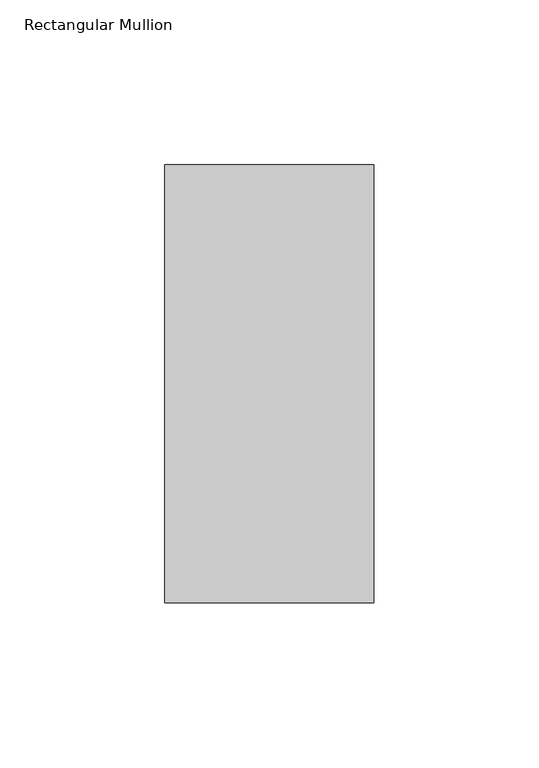
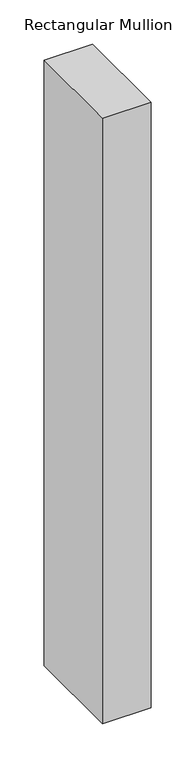
"""IFC4 building model written with IfcOpenShell, lengths in millimetres: member geometry, Rectangular Mullion."""

import ifcopenshell
import ifcopenshell.guid

model = None  # the IFC model being written
_history = None  # IfcOwnerHistory: only IFC2X3 demands one
_inside = {}  # id of a spatial element -> (the spatial element, [elements in it])
_under = {}  # id of a project, library or spatial element -> (it, [spatial elements below it])
_declared = {}  # id of a project -> (the project, [libraries it declares])
_typed = {}  # id of a type object -> (the type object, [elements of that type])
_made_of = {}  # id of a material, layer set ... -> (it, [elements and type objects made of it])


def new_model(schema):
    """Start an empty IFC model of exactly this schema.

    Asked for "IFC4X3", IfcOpenShell would pick the latest addendum, in which some entities
    have other attributes; the version numbers below select the first issue.
    IFC2X3 requires an IfcOwnerHistory on every rooted entity: one is made here for all.
    """
    global model, _history
    if schema == "IFC4X3":
        model = ifcopenshell.file(schema_version=(4, 3, 0, 0))
    else:
        model = ifcopenshell.file(schema=schema)
    _inside.clear()
    _under.clear()
    _declared.clear()
    _typed.clear()
    _made_of.clear()
    _history = None
    if model.schema == "IFC2X3":
        org = make("IfcOrganization", Name="unknown")
        user = make(
            "IfcPersonAndOrganization",
            ThePerson=make("IfcPerson", FamilyName="unknown"),
            TheOrganization=org,
        )
        app = make(
            "IfcApplication",
            ApplicationDeveloper=org,
            Version="unknown",
            ApplicationFullName="unknown",
            ApplicationIdentifier="unknown",
        )
        _history = make(
            "IfcOwnerHistory",
            OwningUser=user,
            OwningApplication=app,
            ChangeAction="ADDED",
            CreationDate=0,
        )
    return model


def make(cls, **values):
    """One entity of the class cls with the attributes given. An attribute that is None is left unset."""
    return model.create_entity(
        cls, **{name: value for name, value in values.items() if value is not None}
    )


def rooted(cls, **values):
    """An entity with a GlobalId (a new one), such as an element, a storey or a relation."""
    return make(cls, GlobalId=ifcopenshell.guid.new(), OwnerHistory=_history, **values)


def si_unit(unit_type, name, prefix=None):
    """IfcSIUnit, for example si_unit("LENGTHUNIT", "METRE", prefix="MILLI")."""
    return make("IfcSIUnit", UnitType=unit_type, Prefix=prefix, Name=name)


def assignment(units):
    """IfcUnitAssignment: the units of a project."""
    return None if units is None else make("IfcUnitAssignment", Units=units)


def point(xyz):
    """IfcCartesianPoint."""
    return None if xyz is None else make("IfcCartesianPoint", Coordinates=xyz)


def direction(xyz):
    """IfcDirection."""
    return None if xyz is None else make("IfcDirection", DirectionRatios=xyz)


def frame(location, z_axis=None, x_axis=None):
    """IfcAxis2Placement3D, a coordinate frame: its origin and axes. An axis left out is left unset."""
    return make(
        "IfcAxis2Placement3D",
        Location=point(location),
        Axis=direction(z_axis),
        RefDirection=direction(x_axis),
    )


def origin():
    """The frame at (0, 0, 0) with its axes left unset."""
    return frame((0.0, 0.0, 0.0))


def place(relative_to, where):
    """IfcLocalPlacement: puts the frame where relative to a parent placement (None: the world)."""
    return make(
        "IfcLocalPlacement", PlacementRelTo=relative_to, RelativePlacement=where
    )


def context(
    kind, dimensions, precision=None, world=None, true_north=None, identifier=None
):
    """IfcGeometricRepresentationContext, for example the 3D "Model" context."""
    return make(
        "IfcGeometricRepresentationContext",
        ContextIdentifier=identifier,
        ContextType=kind,
        CoordinateSpaceDimension=dimensions,
        Precision=precision,
        WorldCoordinateSystem=world,
        TrueNorth=true_north,
    )


def project(units=None, contexts=None):
    """IfcProject with its units and contexts."""
    return rooted(
        "IfcProject",
        Name="project",
        RepresentationContexts=contexts,
        UnitsInContext=assignment(units),
    )


def spatial(cls, under=None, at=None, **own):
    """A site, building, storey or space (cls), placed at a placement, below another one or the project."""
    s = rooted(cls, ObjectPlacement=at, **own)
    if under is not None:
        _under.setdefault(under.id(), (under, []))[1].append(s)
    return s


def polyline(points):
    """IfcPolyline through the points."""
    return make("IfcPolyline", Points=[point(p) for p in points])


def outline(outer, holes=None, kind="AREA"):
    """IfcArbitraryClosedProfileDef: a profile drawn as a closed curve; with holes, ...WithVoids."""
    if holes is None:
        return make("IfcArbitraryClosedProfileDef", ProfileType=kind, OuterCurve=outer)
    return make(
        "IfcArbitraryProfileDefWithVoids",
        ProfileType=kind,
        OuterCurve=outer,
        InnerCurves=holes,
    )


def extrude(swept, where, along, depth):
    """IfcExtrudedAreaSolid: the profile swept, set in the frame where, extruded along a direction by depth."""
    return make(
        "IfcExtrudedAreaSolid",
        SweptArea=swept,
        Position=where,
        ExtrudedDirection=direction(along),
        Depth=depth,
    )


def shape(context_of_items, identifier, shape_type, items):
    """IfcShapeRepresentation: the items that make up one representation, for example the "Body"."""
    return make(
        "IfcShapeRepresentation",
        ContextOfItems=context_of_items,
        RepresentationIdentifier=identifier,
        RepresentationType=shape_type,
        Items=items,
    )


def source(mapping_origin, context_of_items, identifier, shape_type, items):
    """IfcRepresentationMap: a shape defined once, which mapped items show again and again."""
    return make(
        "IfcRepresentationMap",
        MappingOrigin=mapping_origin,
        MappedRepresentation=shape(context_of_items, identifier, shape_type, items),
    )


def transform(
    local_origin,
    x_axis=None,
    y_axis=None,
    z_axis=None,
    scale=None,
    scale2=None,
    scale3=None,
    uniform=True,
):
    """IfcCartesianTransformationOperator3D, or its non-uniform kind. x_axis, y_axis, z_axis: its Axis1, 2, 3."""
    if uniform:
        return make(
            "IfcCartesianTransformationOperator3D",
            Axis1=direction(x_axis),
            Axis2=direction(y_axis),
            LocalOrigin=point(local_origin),
            Scale=scale,
            Axis3=direction(z_axis),
        )
    return make(
        "IfcCartesianTransformationOperator3DnonUniform",
        Axis1=direction(x_axis),
        Axis2=direction(y_axis),
        LocalOrigin=point(local_origin),
        Scale=scale,
        Axis3=direction(z_axis),
        Scale2=scale2,
        Scale3=scale3,
    )


def mapped(mapping_source, mapping_target):
    """IfcMappedItem: shows the shape of a source again, moved by a transform."""
    return make(
        "IfcMappedItem", MappingSource=mapping_source, MappingTarget=mapping_target
    )


def made_of(thing, what):
    """Note that an element or type object is made of a material, layer set ...; save() writes the relation."""
    if what is not None:
        _made_of.setdefault(what.id(), (what, []))[1].append(thing)
    return thing


def element(
    cls,
    number,
    at=None,
    inside=None,
    cuts=None,
    type_object=None,
    material=None,
    context=None,
    identifier="Body",
    shape_type=None,
    held_by="IfcProductDefinitionShape",
    body=None,
    shapes=None,
    **own,
):
    """One element of the class cls, such as IfcWall. Its Tag is "e" and its number.

    at: its placement. inside: the storey or other place that contains it. cuts: it is an
    opening in that element (IfcRelVoidsElement). A single representation is given by context,
    identifier, shape_type and body (its items); several are given by shapes. held_by: the class
    of the entity that holds the representations. save() writes the other relations.
    """
    e = rooted(cls, Tag="e%d" % number, ObjectPlacement=at, **own)
    if body is not None:
        shapes = [shape(context, identifier, shape_type, body)]
    if shapes is not None:
        e.Representation = make(held_by, Representations=shapes)
    if inside is not None:
        _inside.setdefault(inside.id(), (inside, []))[1].append(e)
    if cuts is not None:
        rooted(
            "IfcRelVoidsElement", RelatingBuildingElement=cuts, RelatedOpeningElement=e
        )
    if type_object is not None:
        _typed.setdefault(type_object.id(), (type_object, []))[1].append(e)
    return made_of(e, material)


def aggregate(whole, parts):
    """IfcRelAggregates: a whole, such as a stair, and the parts it consists of."""
    return rooted("IfcRelAggregates", RelatingObject=whole, RelatedObjects=parts)


def save(model, path):
    """Write the relations noted so far, then the file.

    IfcRelAggregates (storeys below a building ...), IfcRelContainedInSpatialStructure (elements
    in a storey), IfcRelDefinesByType, IfcRelAssociatesMaterial and IfcRelDeclares: one each for
    every whole, place, type object, material and project.
    """
    for whole, parts in _under.values():
        aggregate(whole, parts)
    for where, things in _inside.values():
        rooted(
            "IfcRelContainedInSpatialStructure",
            RelatedElements=things,
            RelatingStructure=where,
        )
    for kind, things in _typed.values():
        rooted("IfcRelDefinesByType", RelatedObjects=things, RelatingType=kind)
    for what, things in _made_of.values():
        rooted("IfcRelAssociatesMaterial", RelatedObjects=things, RelatingMaterial=what)
    for by, libraries in _declared.values():
        rooted("IfcRelDeclares", RelatingContext=by, RelatedDefinitions=libraries)
    model.write(path)


def rectangular_mullion_4b9dfdce(model_context):
    return source(origin(), model_context, "Body", "SweptSolid", [
        extrude(outline(polyline([(31.75, 190.5896938), (31.75, 57.6460937), (-31.75, 57.6460937), (-31.75, 190.5896938), (31.75, 190.5896938)])), frame((0.0, 0.0, -838.2), z_axis=(0.0, 0.0, 1.0), x_axis=(1.0, 0.0, 0.0)), (0.0, 0.0, 1.0), 838.2),
    ])


if __name__ == "__main__":
    model = new_model("IFC4")
    model_context = context("Model", 3, world=origin())
    ifc_project = project(units=[si_unit("LENGTHUNIT", "METRE", prefix="MILLI")], contexts=[model_context])
    site = spatial("IfcSite", under=ifc_project)
    building = spatial("IfcBuilding", under=site)
    placement = place(None, origin())
    rectangular_mullion_shape = rectangular_mullion_4b9dfdce(model_context)
    element("IfcMember", 1, ObjectType="Rectangular Mullion", at=placement, inside=building, context=model_context, shape_type="MappedRepresentation", body=[
        mapped(rectangular_mullion_shape, transform((0.0, 0.0, 0.0), x_axis=(1.0, 0.0, 0.0), y_axis=(0.0, 1.0, 0.0), z_axis=(0.0, 0.0, 1.0))),
    ])
    save(model, "model.ifc")
